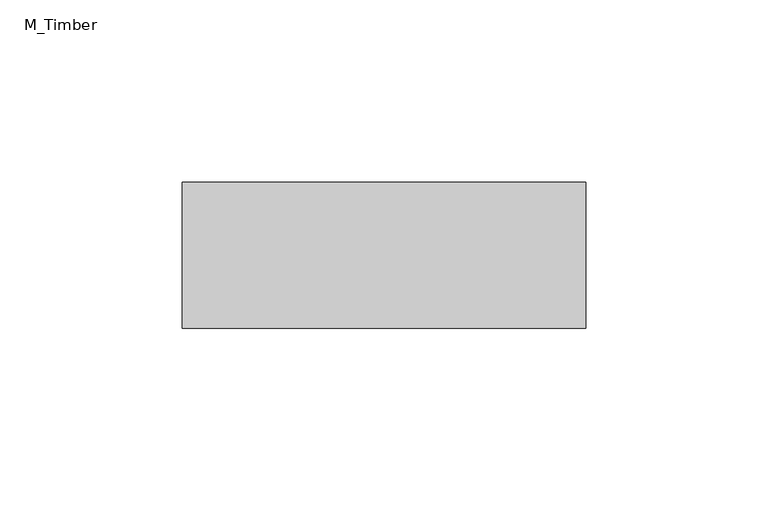
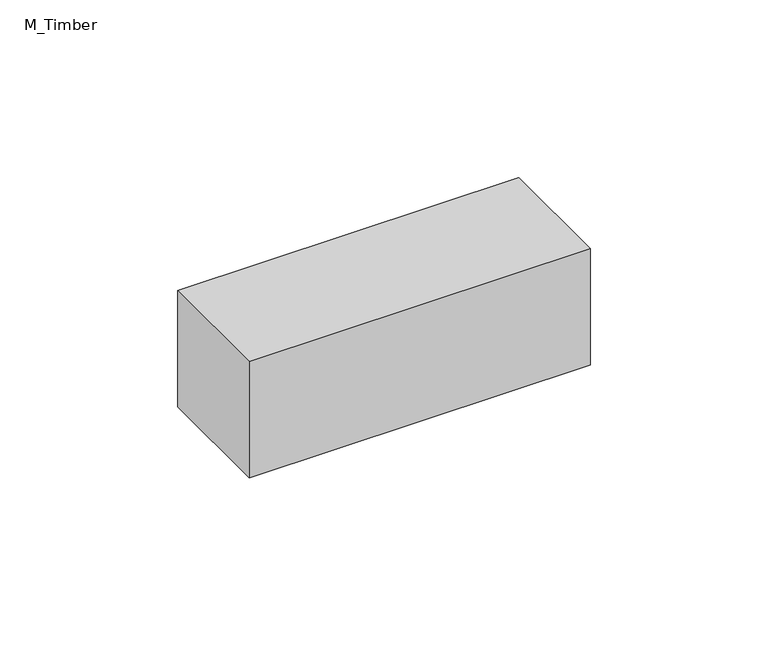
"""IFC4 building model written with IfcOpenShell, lengths in millimetres: beam geometry, M_Timber."""

import ifcopenshell
import ifcopenshell.guid

model = None  # the IFC model being written
_history = None  # IfcOwnerHistory: only IFC2X3 demands one
_inside = {}  # id of a spatial element -> (the spatial element, [elements in it])
_under = {}  # id of a project, library or spatial element -> (it, [spatial elements below it])
_declared = {}  # id of a project -> (the project, [libraries it declares])
_typed = {}  # id of a type object -> (the type object, [elements of that type])
_made_of = {}  # id of a material, layer set ... -> (it, [elements and type objects made of it])


def new_model(schema):
    """Start an empty IFC model of exactly this schema.

    Asked for "IFC4X3", IfcOpenShell would pick the latest addendum, in which some entities
    have other attributes; the version numbers below select the first issue.
    IFC2X3 requires an IfcOwnerHistory on every rooted entity: one is made here for all.
    """
    global model, _history
    if schema == "IFC4X3":
        model = ifcopenshell.file(schema_version=(4, 3, 0, 0))
    else:
        model = ifcopenshell.file(schema=schema)
    _inside.clear()
    _under.clear()
    _declared.clear()
    _typed.clear()
    _made_of.clear()
    _history = None
    if model.schema == "IFC2X3":
        org = make("IfcOrganization", Name="unknown")
        user = make(
            "IfcPersonAndOrganization",
            ThePerson=make("IfcPerson", FamilyName="unknown"),
            TheOrganization=org,
        )
        app = make(
            "IfcApplication",
            ApplicationDeveloper=org,
            Version="unknown",
            ApplicationFullName="unknown",
            ApplicationIdentifier="unknown",
        )
        _history = make(
            "IfcOwnerHistory",
            OwningUser=user,
            OwningApplication=app,
            ChangeAction="ADDED",
            CreationDate=0,
        )
    return model


def make(cls, **values):
    """One entity of the class cls with the attributes given. An attribute that is None is left unset."""
    return model.create_entity(
        cls, **{name: value for name, value in values.items() if value is not None}
    )


def rooted(cls, **values):
    """An entity with a GlobalId (a new one), such as an element, a storey or a relation."""
    return make(cls, GlobalId=ifcopenshell.guid.new(), OwnerHistory=_history, **values)


def si_unit(unit_type, name, prefix=None):
    """IfcSIUnit, for example si_unit("LENGTHUNIT", "METRE", prefix="MILLI")."""
    return make("IfcSIUnit", UnitType=unit_type, Prefix=prefix, Name=name)


def assignment(units):
    """IfcUnitAssignment: the units of a project."""
    return None if units is None else make("IfcUnitAssignment", Units=units)


def point(xyz):
    """IfcCartesianPoint."""
    return None if xyz is None else make("IfcCartesianPoint", Coordinates=xyz)


def direction(xyz):
    """IfcDirection."""
    return None if xyz is None else make("IfcDirection", DirectionRatios=xyz)


def frame(location, z_axis=None, x_axis=None):
    """IfcAxis2Placement3D, a coordinate frame: its origin and axes. An axis left out is left unset."""
    return make(
        "IfcAxis2Placement3D",
        Location=point(location),
        Axis=direction(z_axis),
        RefDirection=direction(x_axis),
    )


def origin():
    """The frame at (0, 0, 0) with its axes left unset."""
    return frame((0.0, 0.0, 0.0))


def place(relative_to, where):
    """IfcLocalPlacement: puts the frame where relative to a parent placement (None: the world)."""
    return make(
        "IfcLocalPlacement", PlacementRelTo=relative_to, RelativePlacement=where
    )


def context(
    kind, dimensions, precision=None, world=None, true_north=None, identifier=None
):
    """IfcGeometricRepresentationContext, for example the 3D "Model" context."""
    return make(
        "IfcGeometricRepresentationContext",
        ContextIdentifier=identifier,
        ContextType=kind,
        CoordinateSpaceDimension=dimensions,
        Precision=precision,
        WorldCoordinateSystem=world,
        TrueNorth=true_north,
    )


def project(units=None, contexts=None):
    """IfcProject with its units and contexts."""
    return rooted(
        "IfcProject",
        Name="project",
        RepresentationContexts=contexts,
        UnitsInContext=assignment(units),
    )


def spatial(cls, under=None, at=None, **own):
    """A site, building, storey or space (cls), placed at a placement, below another one or the project."""
    s = rooted(cls, ObjectPlacement=at, **own)
    if under is not None:
        _under.setdefault(under.id(), (under, []))[1].append(s)
    return s


def polyline(points):
    """IfcPolyline through the points."""
    return make("IfcPolyline", Points=[point(p) for p in points])


def outline(outer, holes=None, kind="AREA"):
    """IfcArbitraryClosedProfileDef: a profile drawn as a closed curve; with holes, ...WithVoids."""
    if holes is None:
        return make("IfcArbitraryClosedProfileDef", ProfileType=kind, OuterCurve=outer)
    return make(
        "IfcArbitraryProfileDefWithVoids",
        ProfileType=kind,
        OuterCurve=outer,
        InnerCurves=holes,
    )


def extrude(swept, where, along, depth):
    """IfcExtrudedAreaSolid: the profile swept, set in the frame where, extruded along a direction by depth."""
    return make(
        "IfcExtrudedAreaSolid",
        SweptArea=swept,
        Position=where,
        ExtrudedDirection=direction(along),
        Depth=depth,
    )


def shape(context_of_items, identifier, shape_type, items):
    """IfcShapeRepresentation: the items that make up one representation, for example the "Body"."""
    return make(
        "IfcShapeRepresentation",
        ContextOfItems=context_of_items,
        RepresentationIdentifier=identifier,
        RepresentationType=shape_type,
        Items=items,
    )


def source(mapping_origin, context_of_items, identifier, shape_type, items):
    """IfcRepresentationMap: a shape defined once, which mapped items show again and again."""
    return make(
        "IfcRepresentationMap",
        MappingOrigin=mapping_origin,
        MappedRepresentation=shape(context_of_items, identifier, shape_type, items),
    )


def transform(
    local_origin,
    x_axis=None,
    y_axis=None,
    z_axis=None,
    scale=None,
    scale2=None,
    scale3=None,
    uniform=True,
):
    """IfcCartesianTransformationOperator3D, or its non-uniform kind. x_axis, y_axis, z_axis: its Axis1, 2, 3."""
    if uniform:
        return make(
            "IfcCartesianTransformationOperator3D",
            Axis1=direction(x_axis),
            Axis2=direction(y_axis),
            LocalOrigin=point(local_origin),
            Scale=scale,
            Axis3=direction(z_axis),
        )
    return make(
        "IfcCartesianTransformationOperator3DnonUniform",
        Axis1=direction(x_axis),
        Axis2=direction(y_axis),
        LocalOrigin=point(local_origin),
        Scale=scale,
        Axis3=direction(z_axis),
        Scale2=scale2,
        Scale3=scale3,
    )


def mapped(mapping_source, mapping_target):
    """IfcMappedItem: shows the shape of a source again, moved by a transform."""
    return make(
        "IfcMappedItem", MappingSource=mapping_source, MappingTarget=mapping_target
    )


def made_of(thing, what):
    """Note that an element or type object is made of a material, layer set ...; save() writes the relation."""
    if what is not None:
        _made_of.setdefault(what.id(), (what, []))[1].append(thing)
    return thing


def element(
    cls,
    number,
    at=None,
    inside=None,
    cuts=None,
    type_object=None,
    material=None,
    context=None,
    identifier="Body",
    shape_type=None,
    held_by="IfcProductDefinitionShape",
    body=None,
    shapes=None,
    **own,
):
    """One element of the class cls, such as IfcWall. Its Tag is "e" and its number.

    at: its placement. inside: the storey or other place that contains it. cuts: it is an
    opening in that element (IfcRelVoidsElement). A single representation is given by context,
    identifier, shape_type and body (its items); several are given by shapes. held_by: the class
    of the entity that holds the representations. save() writes the other relations.
    """
    e = rooted(cls, Tag="e%d" % number, ObjectPlacement=at, **own)
    if body is not None:
        shapes = [shape(context, identifier, shape_type, body)]
    if shapes is not None:
        e.Representation = make(held_by, Representations=shapes)
    if inside is not None:
        _inside.setdefault(inside.id(), (inside, []))[1].append(e)
    if cuts is not None:
        rooted(
            "IfcRelVoidsElement", RelatingBuildingElement=cuts, RelatedOpeningElement=e
        )
    if type_object is not None:
        _typed.setdefault(type_object.id(), (type_object, []))[1].append(e)
    return made_of(e, material)


def aggregate(whole, parts):
    """IfcRelAggregates: a whole, such as a stair, and the parts it consists of."""
    return rooted("IfcRelAggregates", RelatingObject=whole, RelatedObjects=parts)


def save(model, path):
    """Write the relations noted so far, then the file.

    IfcRelAggregates (storeys below a building ...), IfcRelContainedInSpatialStructure (elements
    in a storey), IfcRelDefinesByType, IfcRelAssociatesMaterial and IfcRelDeclares: one each for
    every whole, place, type object, material and project.
    """
    for whole, parts in _under.values():
        aggregate(whole, parts)
    for where, things in _inside.values():
        rooted(
            "IfcRelContainedInSpatialStructure",
            RelatedElements=things,
            RelatingStructure=where,
        )
    for kind, things in _typed.values():
        rooted("IfcRelDefinesByType", RelatedObjects=things, RelatingType=kind)
    for what, things in _made_of.values():
        rooted("IfcRelAssociatesMaterial", RelatedObjects=things, RelatingMaterial=what)
    for by, libraries in _declared.values():
        rooted("IfcRelDeclares", RelatingContext=by, RelatedDefinitions=libraries)
    model.write(path)


def m_timber_a427ecb0(model_context):
    return source(origin(), model_context, "Body", "SweptSolid", [
        extrude(outline(polyline([(55.2830061, 20.0), (55.2830061, -20.0), (-55.2830061, -20.0), (-55.2830061, 20.0), (55.2830061, 20.0)])), frame((0.0, 0.0, -20.0), z_axis=(0.0, 0.0, 1.0), x_axis=(1.0, 0.0, 0.0)), (0.0, 0.0, 1.0), 40.0),
    ])


if __name__ == "__main__":
    model = new_model("IFC4")
    model_context = context("Model", 3, world=origin())
    ifc_project = project(units=[si_unit("LENGTHUNIT", "METRE", prefix="MILLI")], contexts=[model_context])
    site = spatial("IfcSite", under=ifc_project)
    building = spatial("IfcBuilding", under=site)
    placement = place(None, origin())
    m_timber_shape = m_timber_a427ecb0(model_context)
    element("IfcBeam", 1, ObjectType="M_Timber", at=placement, inside=building, context=model_context, shape_type="MappedRepresentation", body=[
        mapped(m_timber_shape, transform((0.0, 0.0, 0.0), x_axis=(1.0, 0.0, 0.0), y_axis=(0.0, 1.0, 0.0), z_axis=(0.0, 0.0, 1.0))),
    ])
    save(model, "model.ifc")
